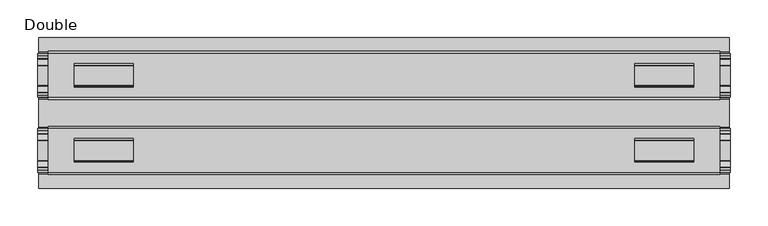
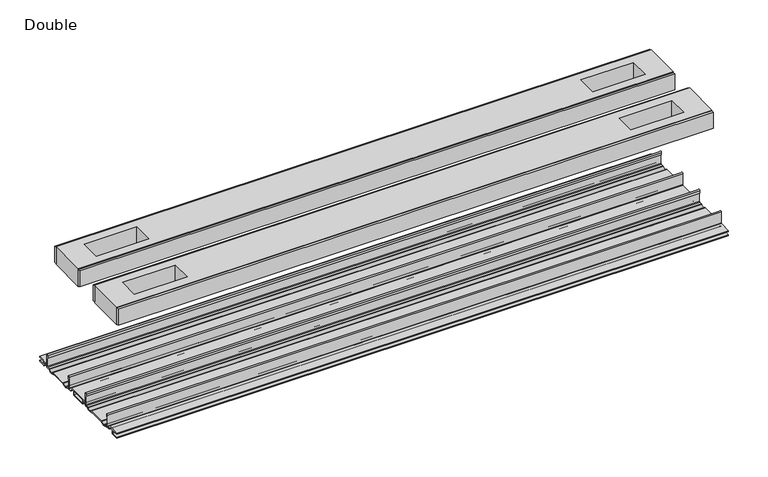
"""IFC4 building model written with IfcOpenShell, lengths in millimetres: proxy geometry, Double."""

import ifcopenshell
import ifcopenshell.guid

model = None  # the IFC model being written
_history = None  # IfcOwnerHistory: only IFC2X3 demands one
_inside = {}  # id of a spatial element -> (the spatial element, [elements in it])
_under = {}  # id of a project, library or spatial element -> (it, [spatial elements below it])
_declared = {}  # id of a project -> (the project, [libraries it declares])
_typed = {}  # id of a type object -> (the type object, [elements of that type])
_made_of = {}  # id of a material, layer set ... -> (it, [elements and type objects made of it])


def new_model(schema):
    """Start an empty IFC model of exactly this schema.

    Asked for "IFC4X3", IfcOpenShell would pick the latest addendum, in which some entities
    have other attributes; the version numbers below select the first issue.
    IFC2X3 requires an IfcOwnerHistory on every rooted entity: one is made here for all.
    """
    global model, _history
    if schema == "IFC4X3":
        model = ifcopenshell.file(schema_version=(4, 3, 0, 0))
    else:
        model = ifcopenshell.file(schema=schema)
    _inside.clear()
    _under.clear()
    _declared.clear()
    _typed.clear()
    _made_of.clear()
    _history = None
    if model.schema == "IFC2X3":
        org = make("IfcOrganization", Name="unknown")
        user = make(
            "IfcPersonAndOrganization",
            ThePerson=make("IfcPerson", FamilyName="unknown"),
            TheOrganization=org,
        )
        app = make(
            "IfcApplication",
            ApplicationDeveloper=org,
            Version="unknown",
            ApplicationFullName="unknown",
            ApplicationIdentifier="unknown",
        )
        _history = make(
            "IfcOwnerHistory",
            OwningUser=user,
            OwningApplication=app,
            ChangeAction="ADDED",
            CreationDate=0,
        )
    return model


def make(cls, **values):
    """One entity of the class cls with the attributes given. An attribute that is None is left unset."""
    return model.create_entity(
        cls, **{name: value for name, value in values.items() if value is not None}
    )


def rooted(cls, **values):
    """An entity with a GlobalId (a new one), such as an element, a storey or a relation."""
    return make(cls, GlobalId=ifcopenshell.guid.new(), OwnerHistory=_history, **values)


def si_unit(unit_type, name, prefix=None):
    """IfcSIUnit, for example si_unit("LENGTHUNIT", "METRE", prefix="MILLI")."""
    return make("IfcSIUnit", UnitType=unit_type, Prefix=prefix, Name=name)


def assignment(units):
    """IfcUnitAssignment: the units of a project."""
    return None if units is None else make("IfcUnitAssignment", Units=units)


def point(xyz):
    """IfcCartesianPoint."""
    return None if xyz is None else make("IfcCartesianPoint", Coordinates=xyz)


def direction(xyz):
    """IfcDirection."""
    return None if xyz is None else make("IfcDirection", DirectionRatios=xyz)


def frame(location, z_axis=None, x_axis=None):
    """IfcAxis2Placement3D, a coordinate frame: its origin and axes. An axis left out is left unset."""
    return make(
        "IfcAxis2Placement3D",
        Location=point(location),
        Axis=direction(z_axis),
        RefDirection=direction(x_axis),
    )


def frame_2d(location, x_axis=None):
    """IfcAxis2Placement2D, a coordinate frame in the plane: its origin and x axis."""
    return make(
        "IfcAxis2Placement2D", Location=point(location), RefDirection=direction(x_axis)
    )


def origin():
    """The frame at (0, 0, 0) with its axes left unset."""
    return frame((0.0, 0.0, 0.0))


def place(relative_to, where):
    """IfcLocalPlacement: puts the frame where relative to a parent placement (None: the world)."""
    return make(
        "IfcLocalPlacement", PlacementRelTo=relative_to, RelativePlacement=where
    )


def context(
    kind, dimensions, precision=None, world=None, true_north=None, identifier=None
):
    """IfcGeometricRepresentationContext, for example the 3D "Model" context."""
    return make(
        "IfcGeometricRepresentationContext",
        ContextIdentifier=identifier,
        ContextType=kind,
        CoordinateSpaceDimension=dimensions,
        Precision=precision,
        WorldCoordinateSystem=world,
        TrueNorth=true_north,
    )


def project(units=None, contexts=None):
    """IfcProject with its units and contexts."""
    return rooted(
        "IfcProject",
        Name="project",
        RepresentationContexts=contexts,
        UnitsInContext=assignment(units),
    )


def spatial(cls, under=None, at=None, **own):
    """A site, building, storey or space (cls), placed at a placement, below another one or the project."""
    s = rooted(cls, ObjectPlacement=at, **own)
    if under is not None:
        _under.setdefault(under.id(), (under, []))[1].append(s)
    return s


def polyline(points):
    """IfcPolyline through the points."""
    return make("IfcPolyline", Points=[point(p) for p in points])


def circle_curve(where, radius):
    """IfcCircle in the frame where."""
    return make("IfcCircle", Position=where, Radius=radius)


def trimmed(basis, trim1, trim2, sense, master):
    """IfcTrimmedCurve: the piece of a basis curve between two trims."""
    return make(
        "IfcTrimmedCurve",
        BasisCurve=basis,
        Trim1=trim1,
        Trim2=trim2,
        SenseAgreement=sense,
        MasterRepresentation=master,
    )


def segment(curve, same_sense, transition):
    """IfcCompositeCurveSegment."""
    return make(
        "IfcCompositeCurveSegment",
        Transition=transition,
        SameSense=same_sense,
        ParentCurve=curve,
    )


def composite_curve(segments, self_intersect=None):
    """IfcCompositeCurve: segments joined end to end."""
    return make("IfcCompositeCurve", Segments=segments, SelfIntersect=self_intersect)


def outline(outer, holes=None, kind="AREA"):
    """IfcArbitraryClosedProfileDef: a profile drawn as a closed curve; with holes, ...WithVoids."""
    if holes is None:
        return make("IfcArbitraryClosedProfileDef", ProfileType=kind, OuterCurve=outer)
    return make(
        "IfcArbitraryProfileDefWithVoids",
        ProfileType=kind,
        OuterCurve=outer,
        InnerCurves=holes,
    )


def extrude(swept, where, along, depth):
    """IfcExtrudedAreaSolid: the profile swept, set in the frame where, extruded along a direction by depth."""
    return make(
        "IfcExtrudedAreaSolid",
        SweptArea=swept,
        Position=where,
        ExtrudedDirection=direction(along),
        Depth=depth,
    )


def shape(context_of_items, identifier, shape_type, items):
    """IfcShapeRepresentation: the items that make up one representation, for example the "Body"."""
    return make(
        "IfcShapeRepresentation",
        ContextOfItems=context_of_items,
        RepresentationIdentifier=identifier,
        RepresentationType=shape_type,
        Items=items,
    )


def source(mapping_origin, context_of_items, identifier, shape_type, items):
    """IfcRepresentationMap: a shape defined once, which mapped items show again and again."""
    return make(
        "IfcRepresentationMap",
        MappingOrigin=mapping_origin,
        MappedRepresentation=shape(context_of_items, identifier, shape_type, items),
    )


def transform(
    local_origin,
    x_axis=None,
    y_axis=None,
    z_axis=None,
    scale=None,
    scale2=None,
    scale3=None,
    uniform=True,
):
    """IfcCartesianTransformationOperator3D, or its non-uniform kind. x_axis, y_axis, z_axis: its Axis1, 2, 3."""
    if uniform:
        return make(
            "IfcCartesianTransformationOperator3D",
            Axis1=direction(x_axis),
            Axis2=direction(y_axis),
            LocalOrigin=point(local_origin),
            Scale=scale,
            Axis3=direction(z_axis),
        )
    return make(
        "IfcCartesianTransformationOperator3DnonUniform",
        Axis1=direction(x_axis),
        Axis2=direction(y_axis),
        LocalOrigin=point(local_origin),
        Scale=scale,
        Axis3=direction(z_axis),
        Scale2=scale2,
        Scale3=scale3,
    )


def mapped(mapping_source, mapping_target):
    """IfcMappedItem: shows the shape of a source again, moved by a transform."""
    return make(
        "IfcMappedItem", MappingSource=mapping_source, MappingTarget=mapping_target
    )


def made_of(thing, what):
    """Note that an element or type object is made of a material, layer set ...; save() writes the relation."""
    if what is not None:
        _made_of.setdefault(what.id(), (what, []))[1].append(thing)
    return thing


def element(
    cls,
    number,
    at=None,
    inside=None,
    cuts=None,
    type_object=None,
    material=None,
    context=None,
    identifier="Body",
    shape_type=None,
    held_by="IfcProductDefinitionShape",
    body=None,
    shapes=None,
    **own,
):
    """One element of the class cls, such as IfcWall. Its Tag is "e" and its number.

    at: its placement. inside: the storey or other place that contains it. cuts: it is an
    opening in that element (IfcRelVoidsElement). A single representation is given by context,
    identifier, shape_type and body (its items); several are given by shapes. held_by: the class
    of the entity that holds the representations. save() writes the other relations.
    """
    e = rooted(cls, Tag="e%d" % number, ObjectPlacement=at, **own)
    if body is not None:
        shapes = [shape(context, identifier, shape_type, body)]
    if shapes is not None:
        e.Representation = make(held_by, Representations=shapes)
    if inside is not None:
        _inside.setdefault(inside.id(), (inside, []))[1].append(e)
    if cuts is not None:
        rooted(
            "IfcRelVoidsElement", RelatingBuildingElement=cuts, RelatedOpeningElement=e
        )
    if type_object is not None:
        _typed.setdefault(type_object.id(), (type_object, []))[1].append(e)
    return made_of(e, material)


def aggregate(whole, parts):
    """IfcRelAggregates: a whole, such as a stair, and the parts it consists of."""
    return rooted("IfcRelAggregates", RelatingObject=whole, RelatedObjects=parts)


def save(model, path):
    """Write the relations noted so far, then the file.

    IfcRelAggregates (storeys below a building ...), IfcRelContainedInSpatialStructure (elements
    in a storey), IfcRelDefinesByType, IfcRelAssociatesMaterial and IfcRelDeclares: one each for
    every whole, place, type object, material and project.
    """
    for whole, parts in _under.values():
        aggregate(whole, parts)
    for where, things in _inside.values():
        rooted(
            "IfcRelContainedInSpatialStructure",
            RelatedElements=things,
            RelatingStructure=where,
        )
    for kind, things in _typed.values():
        rooted("IfcRelDefinesByType", RelatedObjects=things, RelatingType=kind)
    for what, things in _made_of.values():
        rooted("IfcRelAssociatesMaterial", RelatedObjects=things, RelatingMaterial=what)
    for by, libraries in _declared.values():
        rooted("IfcRelDeclares", RelatingContext=by, RelatedDefinitions=libraries)
    model.write(path)


def double_22eee2d3(model_context):
    return source(origin(), model_context, "Body", "SweptSolid", [
        extrude(outline(composite_curve([segment(trimmed(circle_curve(frame_2d((76.6483061, -7.7516037)), 2.17424), [point((78.8225461, -7.7516037))], [point((76.6483061, -9.9258438))], False, "CARTESIAN"), True, "CONTINUOUS"), segment(polyline([(76.6483061, -9.9258438), (72.3573194, -9.9258438)]), True, "CONTINUOUS"), segment(trimmed(circle_curve(frame_2d((67.7769049, -6.4800016)), 5.7318431), [point((72.3573194, -9.9258438))], [point((63.1964904, -9.9258438))], False, "CARTESIAN"), True, "CONTINUOUS"), segment(polyline([(63.1964904, -9.9258438), (36.43501, -9.9258438)]), True, "CONTINUOUS"), segment(trimmed(circle_curve(frame_2d((31.8545955, -6.4800016)), 5.7318431), [point((36.43501, -9.9258438))], [point((27.274181, -9.9258438))], False, "CARTESIAN"), True, "CONTINUOUS"), segment(polyline([(27.274181, -9.9258438), (22.9831943, -9.9258438)]), True, "CONTINUOUS"), segment(trimmed(circle_curve(frame_2d((22.9831943, -7.7516037)), 2.17424), [point((22.9831943, -9.9258438))], [point((20.8089542, -7.7516037))], False, "CARTESIAN"), True, "CONTINUOUS"), segment(polyline([(20.8089542, -7.7516037), (20.8089542, 9.8607558)]), True, "CONTINUOUS"), segment(trimmed(circle_curve(frame_2d((22.0281522, 9.8607558)), 1.2191979), [point((20.8089542, 9.8607558))], [point((23.2473501, 9.8607558))], False, "CARTESIAN"), True, "CONTINUOUS"), segment(polyline([(23.2473501, 9.8607558), (23.2473501, 5.9999563), (21.9671735, 5.9999563), (21.9671735, -7.7516037)]), True, "CONTINUOUS"), segment(trimmed(circle_curve(frame_2d((22.9831943, -7.7516037)), 1.0160208), [point((21.9671735, -7.7516037))], [point((22.9766772, -8.7676036))], True, "CARTESIAN"), True, "CONTINUOUS"), segment(polyline([(22.9766772, -8.7676036), (26.9196277, -8.7676036), (27.8329895, -8.968753)]), True, "CONTINUOUS"), segment(trimmed(circle_curve(frame_2d((31.8579482, -6.1259382)), 4.9276657), [point((27.8329895, -8.968753))], [point((35.8829069, -8.968753))], True, "CARTESIAN"), True, "CONTINUOUS"), segment(polyline([(35.8829069, -8.968753), (36.7962778, -8.7676036), (62.8352226, -8.7676036), (63.7485934, -8.968753)]), True, "CONTINUOUS"), segment(trimmed(circle_curve(frame_2d((67.7735521, -6.1259382)), 4.9276657), [point((63.7485934, -8.968753))], [point((71.7985108, -8.968753))], True, "CARTESIAN"), True, "CONTINUOUS"), segment(polyline([(71.7985108, -8.968753), (72.7118726, -8.7676036), (76.6548232, -8.7676036)]), True, "CONTINUOUS"), segment(trimmed(circle_curve(frame_2d((76.6483061, -7.7516037)), 1.0160208), [point((76.6548232, -8.7676036))], [point((77.6643269, -7.7516037))], True, "CARTESIAN"), True, "CONTINUOUS"), segment(polyline([(77.6643269, -7.7516037), (77.6643269, 5.9999563), (76.3841503, 5.9999563), (76.3841503, 9.8607558)]), True, "CONTINUOUS"), segment(trimmed(circle_curve(frame_2d((77.6033482, 9.8607558)), 1.2191979), [point((76.3841503, 9.8607558))], [point((78.8225461, 9.8607558))], False, "CARTESIAN"), True, "CONTINUOUS"), segment(polyline([(78.8225461, 9.8607558), (78.8225461, -7.7516037)]), True, "CONTINUOUS")], self_intersect=False)), frame((-460.6862302, 0.0, 0.0), z_axis=(1.0, 0.0, 0.0), x_axis=(0.0, 1.0, 0.0)), (0.0, 0.0, 1.0), 921.3724603),
        extrude(outline(composite_curve([segment(polyline([(-79.2035458, -7.7516037), (-79.2035458, 9.8607558)]), True, "CONTINUOUS"), segment(trimmed(circle_curve(frame_2d((-77.9843478, 9.8607558)), 1.2191979), [point((-79.2035458, 9.8607558))], [point((-76.7651499, 9.8607558))], False, "CARTESIAN"), True, "CONTINUOUS"), segment(polyline([(-76.7651499, 9.8607558), (-76.7651499, 5.9999563), (-78.0453265, 5.9999563), (-78.0453265, -7.7516037)]), True, "CONTINUOUS"), segment(trimmed(circle_curve(frame_2d((-77.0293057, -7.7516037)), 1.0160208), [point((-78.0453265, -7.7516037))], [point((-77.0358228, -8.7676036))], True, "CARTESIAN"), True, "CONTINUOUS"), segment(polyline([(-77.0358228, -8.7676036), (-73.0928723, -8.7676036), (-72.1795105, -8.968753)]), True, "CONTINUOUS"), segment(trimmed(circle_curve(frame_2d((-68.1545518, -6.1259382)), 4.9276657), [point((-72.1795105, -8.968753))], [point((-64.1295931, -8.968753))], True, "CARTESIAN"), True, "CONTINUOUS"), segment(polyline([(-64.1295931, -8.968753), (-63.2162222, -8.7676036), (-37.1772774, -8.7676036), (-36.2639066, -8.968753)]), True, "CONTINUOUS"), segment(trimmed(circle_curve(frame_2d((-32.2389479, -6.1259382)), 4.9276657), [point((-36.2639066, -8.968753))], [point((-28.2139892, -8.968753))], True, "CARTESIAN"), True, "CONTINUOUS"), segment(polyline([(-28.2139892, -8.968753), (-27.3006274, -8.7676036), (-23.3576768, -8.7676036)]), True, "CONTINUOUS"), segment(trimmed(circle_curve(frame_2d((-23.3641939, -7.7516037)), 1.0160208), [point((-23.3576768, -8.7676036))], [point((-22.3481731, -7.7516037))], True, "CARTESIAN"), True, "CONTINUOUS"), segment(polyline([(-22.3481731, -7.7516037), (-22.3481731, 5.9999563), (-23.6283497, 5.9999563), (-23.6283497, 9.8607558)]), True, "CONTINUOUS"), segment(trimmed(circle_curve(frame_2d((-22.4091518, 9.8607558)), 1.2191979), [point((-23.6283497, 9.8607558))], [point((-21.1899539, 9.8607558))], False, "CARTESIAN"), True, "CONTINUOUS"), segment(polyline([(-21.1899539, 9.8607558), (-21.1899539, -7.7516037)]), True, "CONTINUOUS"), segment(trimmed(circle_curve(frame_2d((-23.3641939, -7.7516037)), 2.17424), [point((-21.1899539, -7.7516037))], [point((-23.3641939, -9.9258438))], False, "CARTESIAN"), True, "CONTINUOUS"), segment(polyline([(-23.3641939, -9.9258438), (-27.6551806, -9.9258438)]), True, "CONTINUOUS"), segment(trimmed(circle_curve(frame_2d((-32.2355951, -6.4800016)), 5.7318431), [point((-27.6551806, -9.9258438))], [point((-36.8160096, -9.9258438))], False, "CARTESIAN"), True, "CONTINUOUS"), segment(polyline([(-36.8160096, -9.9258438), (-63.57749, -9.9258438)]), True, "CONTINUOUS"), segment(trimmed(circle_curve(frame_2d((-68.1579045, -6.4800016)), 5.7318431), [point((-63.57749, -9.9258438))], [point((-72.738319, -9.9258438))], False, "CARTESIAN"), True, "CONTINUOUS"), segment(polyline([(-72.738319, -9.9258438), (-77.0293057, -9.9258438)]), True, "CONTINUOUS"), segment(trimmed(circle_curve(frame_2d((-77.0293057, -7.7516037)), 2.17424), [point((-77.0293057, -9.9258438))], [point((-79.2035458, -7.7516037))], False, "CARTESIAN"), True, "CONTINUOUS")], self_intersect=False)), frame((-460.6862302, 0.0, 0.0), z_axis=(1.0, 0.0, 0.0), x_axis=(0.0, 1.0, 0.0)), (0.0, 0.0, 1.0), 921.3724603),
        extrude(outline(polyline([(446.6273393, 78.8225461), (-446.6273393, 78.8225461), (-446.6273393, 81.9975522), (446.6273393, 81.9975522), (446.6273393, 78.8225461)])), frame((0.0, 0.0, 149.8401622), z_axis=(0.0, 0.0, 1.0), x_axis=(1.0, 0.0, 0.0)), (0.0, 0.0, 1.0), 25.3999939),
        extrude(outline(polyline([(446.6273393, 17.6339482), (-446.6273393, 17.6339482), (-446.6273393, 20.8089542), (446.6273393, 20.8089542), (446.6273393, 17.6339482)])), frame((0.0, 0.0, 149.8401622), z_axis=(0.0, 0.0, 1.0), x_axis=(1.0, 0.0, 0.0)), (0.0, 0.0, 1.0), 25.3999939),
        extrude(outline(polyline([(446.6273393, -21.1899493), (-446.6273393, -21.1899493), (-446.6273393, -18.0149501), (446.6273393, -18.0149501), (446.6273393, -21.1899493)])), frame((0.0, 0.0, 149.8401622), z_axis=(0.0, 0.0, 1.0), x_axis=(1.0, 0.0, 0.0)), (0.0, 0.0, 1.0), 25.3999939),
        extrude(outline(polyline([(446.6273393, -82.3785496), (-446.6273393, -82.3785496), (-446.6273393, -79.2035503), (446.6273393, -79.2035503), (446.6273393, -82.3785496)])), frame((0.0, 0.0, 149.8401622), z_axis=(0.0, 0.0, 1.0), x_axis=(1.0, 0.0, 0.0)), (0.0, 0.0, 1.0), 25.3999939),
        extrude(outline(polyline([(446.6273393, -79.2035503), (-446.6273393, -79.2035503), (-446.6273393, -21.1899493), (446.6273393, -21.1899493), (446.6273393, -79.2035503)]), holes=[polyline([(412.2103267, -65.3097536), (412.2103267, -34.3217468), (333.1655148, -34.3217468), (333.1655148, -65.3097536), (412.2103267, -65.3097536)]), polyline([(-412.2103267, -65.3097536), (-333.1655148, -65.3097536), (-333.1655148, -34.3217468), (-412.2103267, -34.3217468), (-412.2103267, -65.3097536)])]), frame((0.0, 0.0, 148.4185847), z_axis=(0.0, 0.0, 1.0), x_axis=(1.0, 0.0, 0.0)), (0.0, 0.0, 1.0), 27.9999988),
        extrude(outline(polyline([(446.6273393, 78.8225461), (446.6273393, 20.8224524), (-446.6273393, 20.8224524), (-446.6273393, 78.8225461), (446.6273393, 78.8225461)]), holes=[polyline([(412.2103267, 65.3097536), (333.1655148, 65.3097536), (333.1655148, 34.3217468), (412.2103267, 34.3217468), (412.2103267, 65.3097536)]), polyline([(-412.2103267, 65.3097536), (-412.2103267, 34.3217468), (-333.1655148, 34.3217468), (-333.1655148, 65.3097536), (-412.2103267, 65.3097536)])]), frame((0.0, 0.0, 148.4185847), z_axis=(0.0, 0.0, 1.0), x_axis=(1.0, 0.0, 0.0)), (0.0, 0.0, 1.0), 27.9999988),
        extrude(outline(composite_curve([segment(polyline([(100.2730922, -13.9898438), (89.6620022, -13.9898438)]), True, "CONTINUOUS"), segment(trimmed(circle_curve(frame_2d((89.6620022, -12.4658438)), 1.524), [point((89.6620022, -13.9898438))], [point((88.1380022, -12.4658438))], False, "CARTESIAN"), True, "CONTINUOUS"), segment(polyline([(88.1380022, -12.4658438), (88.1380022, -7.766844), (81.3117474, -7.766844), (81.3117474, -10.0528438)]), True, "CONTINUOUS"), segment(trimmed(circle_curve(frame_2d((79.7877474, -10.0528438)), 1.524), [point((81.3117474, -10.0528438))], [point((79.7877474, -11.5768438))], False, "CARTESIAN"), True, "CONTINUOUS"), segment(polyline([(79.7877474, -11.5768438), (73.2816053, -11.5768438)]), True, "CONTINUOUS"), segment(trimmed(circle_curve(frame_2d((67.7735521, -6.4968436)), 7.4930002), [point((73.2816053, -11.5768438))], [point((62.5157472, -11.8354331))], False, "CARTESIAN"), True, "CONTINUOUS"), segment(polyline([(62.5157472, -11.8354331), (37.1157532, -11.8354331)]), True, "CONTINUOUS"), segment(trimmed(circle_curve(frame_2d((31.8579482, -6.4968436)), 7.4930002), [point((37.1157532, -11.8354331))], [point((26.3498951, -11.5768438))], False, "CARTESIAN"), True, "CONTINUOUS"), segment(polyline([(26.3498951, -11.5768438), (19.8437529, -11.5768438)]), True, "CONTINUOUS"), segment(trimmed(circle_curve(frame_2d((19.8437529, -10.0528438)), 1.524), [point((19.8437529, -11.5768438))], [point((18.319753, -10.0528438))], False, "CARTESIAN"), True, "CONTINUOUS"), segment(polyline([(18.319753, -10.0528438), (18.319753, -7.766844), (11.4934981, -7.766844), (11.4934981, -12.4658438)]), True, "CONTINUOUS"), segment(trimmed(circle_curve(frame_2d((9.9694982, -12.4658438)), 1.524), [point((11.4934981, -12.4658438))], [point((9.9694982, -13.9898438))], False, "CARTESIAN"), True, "CONTINUOUS"), segment(polyline([(9.9694982, -13.9898438), (-10.3504978, -13.9898438)]), True, "CONTINUOUS"), segment(trimmed(circle_curve(frame_2d((-10.3504978, -12.4658438)), 1.524), [point((-10.3504978, -13.9898438))], [point((-11.8744978, -12.4658438))], False, "CARTESIAN"), True, "CONTINUOUS"), segment(polyline([(-11.8744978, -12.4658438), (-11.8744978, -7.766844), (-18.7007526, -7.766844), (-18.7007526, -10.0528438)]), True, "CONTINUOUS"), segment(trimmed(circle_curve(frame_2d((-20.2247526, -10.0528438)), 1.524), [point((-18.7007526, -10.0528438))], [point((-20.2247526, -11.5768438))], False, "CARTESIAN"), True, "CONTINUOUS"), segment(polyline([(-20.2247526, -11.5768438), (-26.7308947, -11.5768438)]), True, "CONTINUOUS"), segment(trimmed(circle_curve(frame_2d((-32.2389479, -6.4968436)), 7.4930002), [point((-26.7308947, -11.5768438))], [point((-37.4967528, -11.8354331))], False, "CARTESIAN"), True, "CONTINUOUS"), segment(polyline([(-37.4967528, -11.8354331), (-62.8967468, -11.8354331)]), True, "CONTINUOUS"), segment(trimmed(circle_curve(frame_2d((-68.1545518, -6.4968436)), 7.4930002), [point((-62.8967468, -11.8354331))], [point((-73.6626049, -11.5768438))], False, "CARTESIAN"), True, "CONTINUOUS"), segment(polyline([(-73.6626049, -11.5768438), (-80.1687471, -11.5768438)]), True, "CONTINUOUS"), segment(trimmed(circle_curve(frame_2d((-80.1687471, -10.0528438)), 1.524), [point((-80.1687471, -11.5768438))], [point((-81.692747, -10.0528438))], False, "CARTESIAN"), True, "CONTINUOUS"), segment(polyline([(-81.692747, -10.0528438), (-81.692747, -7.766844), (-88.5190019, -7.766844), (-88.5190019, -12.4658438)]), True, "CONTINUOUS"), segment(trimmed(circle_curve(frame_2d((-90.0430018, -12.4658438)), 1.524), [point((-88.5190019, -12.4658438))], [point((-90.0430018, -13.9898438))], False, "CARTESIAN"), True, "CONTINUOUS"), segment(polyline([(-90.0430018, -13.9898438), (-100.6540918, -13.9898438), (-100.6112708, -12.3388438), (-90.1700003, -12.3388438), (-90.1700003, -7.766844), (-100.6112708, -7.766844), (-100.6540918, -6.1158439), (-81.6301718, -6.1158439)]), True, "CONTINUOUS"), segment(trimmed(circle_curve(frame_2d((-81.6927482, -7.7656583)), 1.6510007), [point((-81.6301718, -6.1158439))], [point((-80.0417475, -7.7656583))], False, "CARTESIAN"), True, "CONTINUOUS"), segment(polyline([(-80.0417475, -7.7656583), (-80.0417475, -9.9258438), (-73.493084, -9.9258438)]), True, "CONTINUOUS"), segment(trimmed(circle_curve(frame_2d((-68.1545518, -5.2268471)), 7.1119966), [point((-73.493084, -9.9258438))], [point((-62.8160195, -9.9258438))], True, "CARTESIAN"), True, "CONTINUOUS"), segment(polyline([(-62.8160195, -9.9258438), (-37.5774801, -9.9258438)]), True, "CONTINUOUS"), segment(trimmed(circle_curve(frame_2d((-32.2389479, -5.2268471)), 7.1119966), [point((-37.5774801, -9.9258438))], [point((-26.9004156, -9.9258438))], True, "CARTESIAN"), True, "CONTINUOUS"), segment(polyline([(-26.9004156, -9.9258438), (-20.3517522, -9.9258438), (-20.3517522, -7.7656583)]), True, "CONTINUOUS"), segment(trimmed(circle_curve(frame_2d((-18.7007515, -7.7656583)), 1.6510007), [point((-20.3517522, -7.7656583))], [point((-18.7633278, -6.1158439))], False, "CARTESIAN"), True, "CONTINUOUS"), segment(polyline([(-18.7633278, -6.1158439), (18.3823282, -6.1158439)]), True, "CONTINUOUS"), segment(trimmed(circle_curve(frame_2d((18.3197518, -7.7656583)), 1.6510007), [point((18.3823282, -6.1158439))], [point((19.9707525, -7.7656583))], False, "CARTESIAN"), True, "CONTINUOUS"), segment(polyline([(19.9707525, -7.7656583), (19.9707525, -9.9258438), (26.519416, -9.9258438)]), True, "CONTINUOUS"), segment(trimmed(circle_curve(frame_2d((31.8579482, -5.2268471)), 7.1119966), [point((26.519416, -9.9258438))], [point((37.1964805, -9.9258438))], True, "CARTESIAN"), True, "CONTINUOUS"), segment(polyline([(37.1964805, -9.9258438), (62.4350199, -9.9258438)]), True, "CONTINUOUS"), segment(trimmed(circle_curve(frame_2d((67.7735521, -5.2268471)), 7.1119966), [point((62.4350199, -9.9258438))], [point((73.1120844, -9.9258438))], True, "CARTESIAN"), True, "CONTINUOUS"), segment(polyline([(73.1120844, -9.9258438), (79.6607478, -9.9258438), (79.6607478, -7.6398436)]), True, "CONTINUOUS"), segment(trimmed(circle_curve(frame_2d((81.1847475, -7.6398436)), 1.5239997), [point((79.6607478, -7.6398436))], [point((81.1847475, -6.1158439))], False, "CARTESIAN"), True, "CONTINUOUS"), segment(polyline([(81.1847475, -6.1158439), (100.2730922, -6.1158439), (100.2302711, -7.766844), (89.7890007, -7.766844), (89.7890007, -12.3388438), (100.2302711, -12.3388438), (100.2730922, -13.9898438)]), True, "CONTINUOUS")], self_intersect=False), holes=[polyline([(9.8424997, -12.3388438), (9.8424997, -7.766844), (-10.2234993, -7.766844), (-10.2234993, -12.3388438), (9.8424997, -12.3388438)])]), frame((-459.0352302, 0.0, 0.0), z_axis=(1.0, 0.0, 0.0), x_axis=(0.0, 1.0, 0.0)), (0.0, 0.0, 1.0), 918.0704603),
    ])


if __name__ == "__main__":
    model = new_model("IFC4")
    model_context = context("Model", 3, world=origin())
    ifc_project = project(units=[si_unit("LENGTHUNIT", "METRE", prefix="MILLI")], contexts=[model_context])
    site = spatial("IfcSite", under=ifc_project)
    building = spatial("IfcBuilding", under=site)
    placement = place(None, origin())
    double_shape = double_22eee2d3(model_context)
    element("IfcBuildingElementProxy", 1, Name="Double", ObjectType="Double", at=placement, inside=building, context=model_context, shape_type="MappedRepresentation", body=[
        mapped(double_shape, transform((0.0, 0.0, 0.0), x_axis=(1.0, 0.0, 0.0), y_axis=(0.0, 1.0, 0.0), z_axis=(0.0, 0.0, 1.0))),
    ])
    save(model, "model.ifc")
